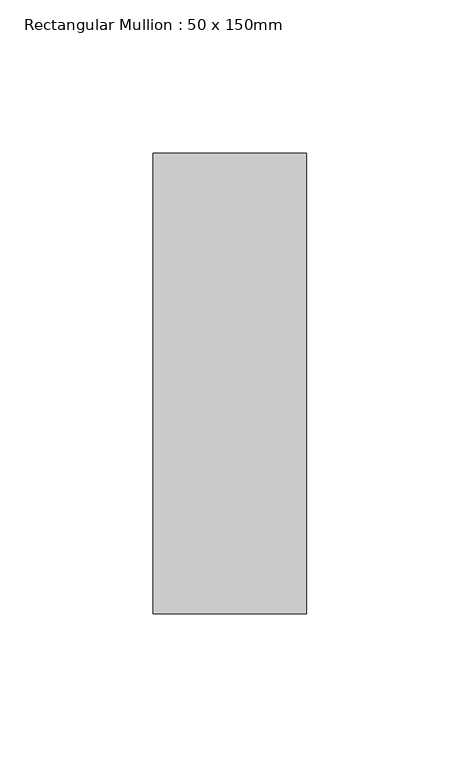
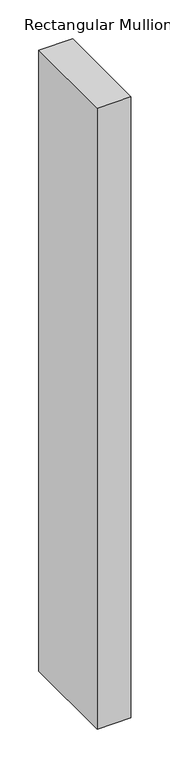
"""IFC4 building model written with IfcOpenShell, lengths in millimetres: member geometry, Rectangular Mullion : 50 x 150mm."""

from ifc_helpers import new_model, si_unit, frame, origin, place, context, project, spatial, polyline, outline, extrude, source, transform, mapped, element, save


def rectangular_mullion_50_x_150mm_d6ffe3e8(model_context):
    return source(origin(), model_context, "Body", "SweptSolid", [
        extrude(outline(polyline([(0.0, 75.0), (0.0, -75.0), (-50.0, -75.0), (-50.0, 75.0), (0.0, 75.0)])), frame((0.0, 0.0, -974.0), z_axis=(0.0, 0.0, 1.0), x_axis=(1.0, 0.0, 0.0)), (0.0, 0.0, 1.0), 974.0),
    ])


if __name__ == "__main__":
    model = new_model("IFC4")
    model_context = context("Model", 3, world=origin())
    ifc_project = project(units=[si_unit("LENGTHUNIT", "METRE", prefix="MILLI")], contexts=[model_context])
    site = spatial("IfcSite", under=ifc_project)
    building = spatial("IfcBuilding", under=site)
    placement = place(None, origin())
    rectangular_mullion_50_x_150mm_shape = rectangular_mullion_50_x_150mm_d6ffe3e8(model_context)
    element("IfcMember", 1, ObjectType="Rectangular Mullion : 50 x 150mm", at=placement, inside=building, context=model_context, shape_type="MappedRepresentation", body=[
        mapped(rectangular_mullion_50_x_150mm_shape, transform((0.0, 0.0, 0.0), x_axis=(1.0, 0.0, 0.0), y_axis=(0.0, 1.0, 0.0), z_axis=(0.0, 0.0, 1.0))),
    ])
    save(model, "model.ifc")
